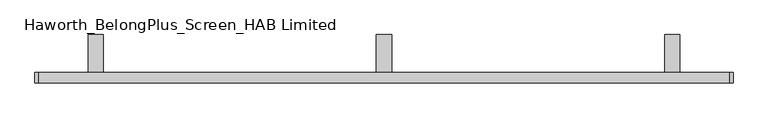
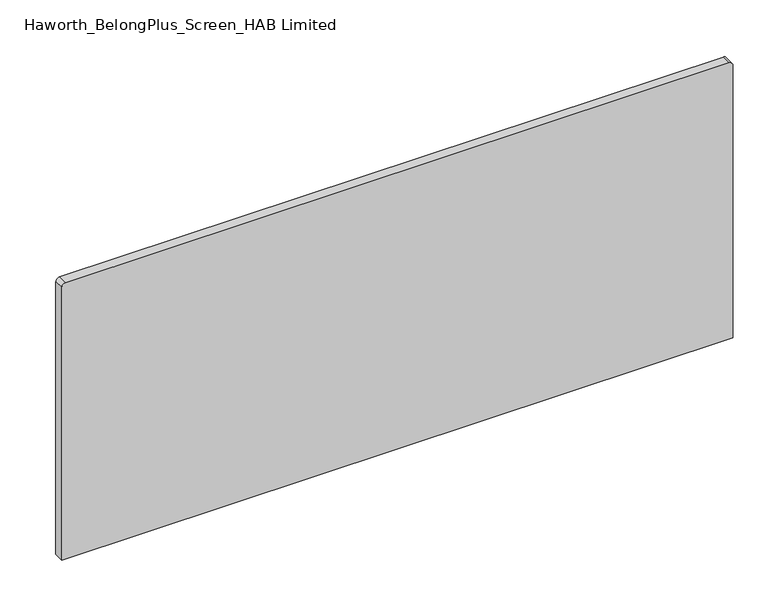
"""IFC4 building model written with IfcOpenShell, lengths in millimetres: furniture geometry, Haworth_BelongPlus_Screen_HAB Limited."""

from ifc_helpers import new_model, si_unit, point, frame, frame_2d, origin, place, context, project, spatial, polyline, circle_curve, trimmed, segment, composite_curve, outline, extrude, source, transform, mapped, element, save


def haworth_belongplus_screen_hab_limited_59e62de1(model_context):
    return source(origin(), model_context, "Body", "SweptSolid", [
        extrude(outline(polyline([(11.1125, 706.4375), (90.4875, 706.4375), (90.4875, 700.0875), (17.4625, 700.0875), (17.4625, 654.05), (11.1125, 654.05), (11.1125, 706.4375)])), frame((-48.5395436, 0.0, 0.0), z_axis=(1.0, 0.0, 0.0), x_axis=(0.0, 1.0, 0.0)), (0.0, 0.0, 1.0), 31.75),
        extrude(outline(polyline([(11.1125, 706.4375), (90.4875, 706.4375), (90.4875, 700.0875), (17.4625, 700.0875), (17.4625, 654.05), (11.1125, 654.05), (11.1125, 706.4375)])), frame((-651.7895436, 0.0, 0.0), z_axis=(1.0, 0.0, 0.0), x_axis=(0.0, 1.0, 0.0)), (0.0, 0.0, 1.0), 31.75),
        extrude(outline(polyline([(11.1125, 706.4375), (90.4875, 706.4375), (90.4875, 700.0875), (17.4625, 700.0875), (17.4625, 654.05), (11.1125, 654.05), (11.1125, 706.4375)])), frame((554.7104564, 0.0, 0.0), z_axis=(1.0, 0.0, 0.0), x_axis=(0.0, 1.0, 0.0)), (0.0, 0.0, 1.0), 31.75),
        extrude(outline(composite_curve([segment(polyline([(1258.8875, 689.6479564), (1258.8875, -754.9770436)]), True, "CONTINUOUS"), segment(trimmed(circle_curve(frame_2d((1250.95, -754.9770436)), 7.9375), [point((1258.8875, -754.9770436))], [point((1250.95, -762.9145436))], False, "CARTESIAN"), True, "CONTINUOUS"), segment(polyline([(1250.95, -762.9145436), (623.8875, -762.9145436), (623.8875, 697.5854564), (1250.95, 697.5854564)]), True, "CONTINUOUS"), segment(trimmed(circle_curve(frame_2d((1250.95, 689.6479564)), 7.9375), [point((1250.95, 697.5854564))], [point((1258.8875, 689.6479564))], False, "CARTESIAN"), True, "CONTINUOUS")], self_intersect=False)), frame((0.0, -11.1125, 0.0), z_axis=(0.0, 1.0, 0.0), x_axis=(0.0, 0.0, 1.0)), (0.0, 0.0, 1.0), 22.225),
    ])


if __name__ == "__main__":
    model = new_model("IFC4")
    model_context = context("Model", 3, world=origin())
    ifc_project = project(units=[si_unit("LENGTHUNIT", "METRE", prefix="MILLI")], contexts=[model_context])
    site = spatial("IfcSite", under=ifc_project)
    building = spatial("IfcBuilding", under=site)
    placement = place(None, origin())
    haworth_belongplus_screen_hab_limited_shape = haworth_belongplus_screen_hab_limited_59e62de1(model_context)
    element("IfcFurniture", 1, ObjectType="Haworth_BelongPlus_Screen_HAB Limited", at=placement, inside=building, context=model_context, shape_type="MappedRepresentation", body=[
        mapped(haworth_belongplus_screen_hab_limited_shape, transform((0.0, 0.0, 0.0), x_axis=(1.0, 0.0, 0.0), y_axis=(0.0, 1.0, 0.0), z_axis=(0.0, 0.0, 1.0))),
    ])
    save(model, "model.ifc")
